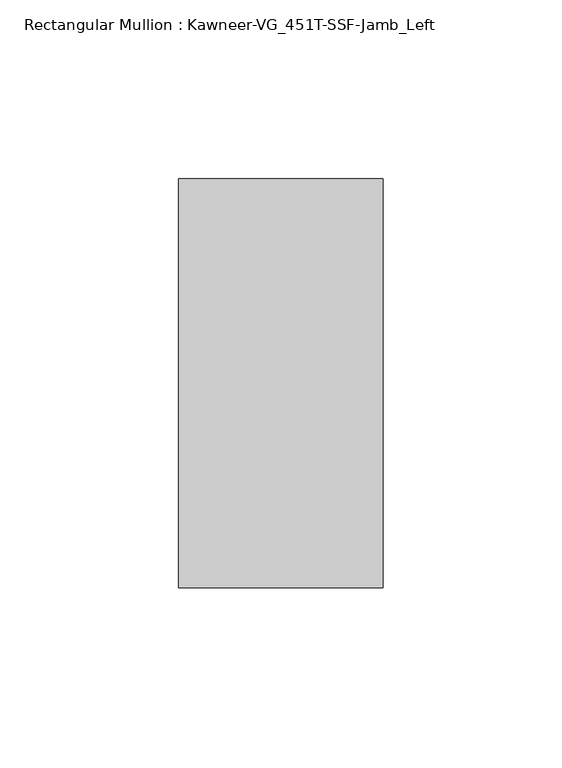
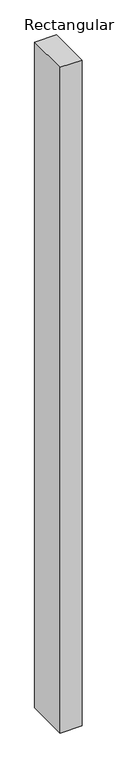
"""IFC4 building model written with IfcOpenShell, lengths in millimetres: member geometry, Rectangular Mullion : Kawneer-VG_451T-SSF-Jamb_Left."""

from ifc_helpers import new_model, si_unit, frame, origin, place, context, project, spatial, polyline, outline, extrude, source, transform, mapped, element, save


def rectangular_mullion_kawneer_vg_451t_ssf_jamb_left_6c2af602(model_context):
    return source(origin(), model_context, "Body", "SweptSolid", [
        extrude(outline(polyline([(-57.15, -57.15), (-57.15, 57.15), (0.0, 57.15), (0.0, -57.15), (-57.15, -57.15)])), frame((0.0, 0.0, -1828.8), z_axis=(0.0, 0.0, 1.0), x_axis=(1.0, 0.0, 0.0)), (0.0, 0.0, 1.0), 1828.8),
    ])


if __name__ == "__main__":
    model = new_model("IFC4")
    model_context = context("Model", 3, world=origin())
    ifc_project = project(units=[si_unit("LENGTHUNIT", "METRE", prefix="MILLI")], contexts=[model_context])
    site = spatial("IfcSite", under=ifc_project)
    building = spatial("IfcBuilding", under=site)
    placement = place(None, origin())
    rectangular_mullion_kawneer_vg_451t_ssf_jamb_left_shape = rectangular_mullion_kawneer_vg_451t_ssf_jamb_left_6c2af602(model_context)
    element("IfcMember", 1, ObjectType="Rectangular Mullion : Kawneer-VG_451T-SSF-Jamb_Left", at=placement, inside=building, context=model_context, shape_type="MappedRepresentation", body=[
        mapped(rectangular_mullion_kawneer_vg_451t_ssf_jamb_left_shape, transform((0.0, 0.0, 0.0), x_axis=(1.0, 0.0, 0.0), y_axis=(0.0, 1.0, 0.0), z_axis=(0.0, 0.0, 1.0))),
    ])
    save(model, "model.ifc")
